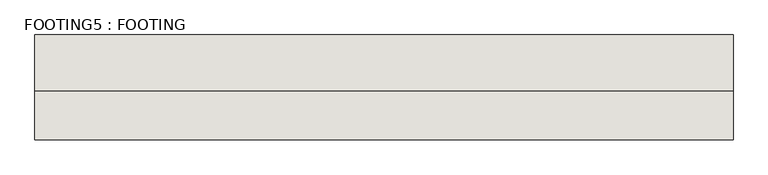
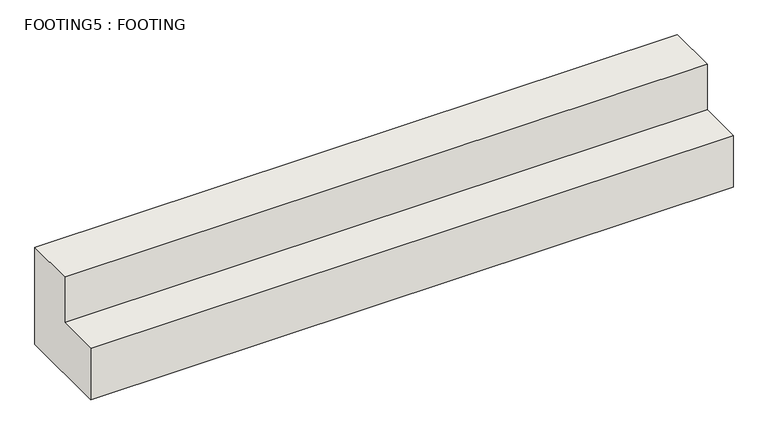
"""IFC4 building model written with IfcOpenShell, lengths in millimetres: wall geometry, FOOTING5 : FOOTING."""

from ifc_helpers import new_model, si_unit, frame, origin, place, context, project, spatial, polyline, outline, extrude, source, transform, mapped, element, save


def footing5_footing_4eef6221(model_context):
    return source(origin(), model_context, "Body", "SweptSolid", [
        extrude(outline(polyline([(2877.6503704, -3.175), (2877.6503704, -409.575), (2496.6503704, -409.575), (2496.6503704, -193.675), (2674.4503704, -193.675), (2674.4503704, -3.175), (2877.6503704, -3.175)])), frame((-597.1939032, 0.0, 0.0), z_axis=(1.0, 0.0, 0.0), x_axis=(0.0, 1.0, 0.0)), (0.0, 0.0, 1.0), 2540.0),
    ])


if __name__ == "__main__":
    model = new_model("IFC4")
    model_context = context("Model", 3, world=origin())
    ifc_project = project(units=[si_unit("LENGTHUNIT", "METRE", prefix="MILLI")], contexts=[model_context])
    site = spatial("IfcSite", under=ifc_project)
    building = spatial("IfcBuilding", under=site)
    placement = place(None, origin())
    footing5_footing_shape = footing5_footing_4eef6221(model_context)
    element("IfcWall", 1, ObjectType="FOOTING5 : FOOTING", at=placement, inside=building, context=model_context, shape_type="MappedRepresentation", body=[
        mapped(footing5_footing_shape, transform((0.0, 0.0, 0.0), x_axis=(1.0, 0.0, 0.0), y_axis=(0.0, 1.0, 0.0), z_axis=(0.0, 0.0, 1.0))),
    ])
    save(model, "model.ifc")
